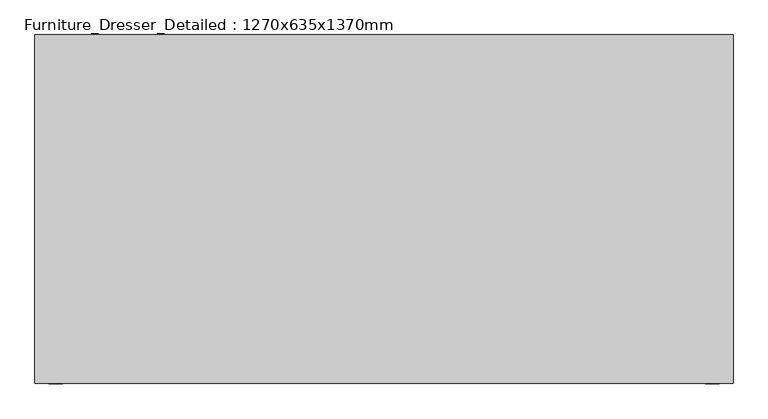
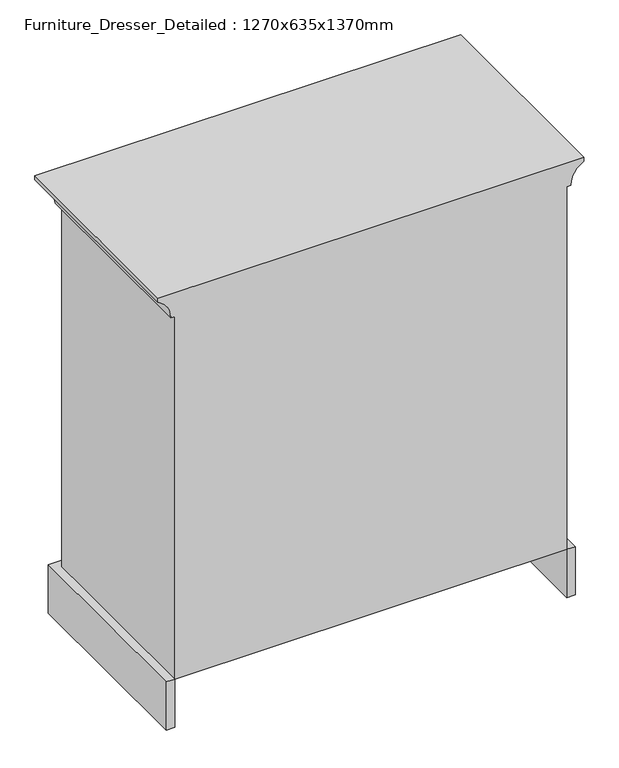
"""IFC4 building model written with IfcOpenShell, lengths in millimetres: furniture geometry, Furniture_Dresser_Detailed : 1270x635x1370mm."""

from ifc_helpers import new_model, si_unit, point, frame, frame_2d, origin, place, context, project, spatial, polyline, circle_curve, ellipse_curve, trimmed, segment, composite_curve, outline, extrude, source, transform, mapped, element, save
from ifc_brep_helpers import plane_surface, revolved_surface, advanced_brep


def furniture_dresser_detailed_1270x635x1370mm_7e9adf72(model_context):
    return source(origin(), model_context, "Body", "SolidModel", [
        advanced_brep(
        [(-635.0, 0.0, 1371.6), (-635.0, 0.0, 1358.9), (-596.9, 0.0, 1295.4), (-584.2, 0.0, 1295.4), (-584.2, 0.0, 152.4), (584.2, 0.0, 152.4), (584.2, 0.0, 1295.4), (596.9, 0.0, 1295.4), (635.0, 0.0, 1358.9), (635.0, 0.0, 1371.6), (635.0, 635.0, 1371.6), (-635.0, 635.0, 1371.6), (584.2, 584.2, 1295.4), (596.9, 596.9, 1295.4), (635.0, 635.0, 1358.9), (-584.2, 584.2, 1295.4), (-596.9, 596.9, 1295.4), (-635.0, 635.0, 1358.9), (584.2, 584.2, 152.4), (-584.2, 584.2, 152.4)],
        [
            (0, 1),
            (1, 2, circle_curve(frame((-669.4120286, 0.0, 1295.0727829), z_axis=(0.0, 1.0, 0.0), x_axis=(1.0, 0.0, 0.0)), 72.5127669)),
            (2, 3),
            (3, 4),
            (4, 5),
            (5, 6),
            (6, 7),
            (7, 8, circle_curve(frame((669.4120286, 0.0, 1295.0727829), z_axis=(0.0, 1.0, 0.0), x_axis=(-1.0, 0.0, 0.0)), 72.5127669)),
            (8, 9),
            (9, 0),
            (9, 10),
            (10, 11),
            (11, 0),
            (6, 12),
            (12, 13),
            (13, 7),
            (13, 14, ellipse_curve(frame((669.4120286, 669.4120286, 1295.0727829), z_axis=(-0.7071067811865475, 0.7071067811865475, 0.0), x_axis=(0.7071067811865474, 0.7071067811865476, 0.0)), 102.5485383, 72.5127669)),
            (14, 8),
            (14, 10),
            (12, 15),
            (15, 16),
            (16, 13),
            (16, 17, ellipse_curve(frame((-669.4120286, 669.4120286, 1295.0727829), z_axis=(-0.7071067811865475, -0.7071067811865475, 0.0), x_axis=(-0.7071067811865476, 0.7071067811865474, 0.0)), 102.5485383, 72.5127669)),
            (17, 14),
            (17, 11),
            (15, 3),
            (2, 16),
            (1, 17),
            (18, 5),
            (4, 19),
            (19, 18),
            (19, 15),
            (12, 18),
        ],
        [
            plane_surface(frame((506.9489159, 0.0, 1371.6), z_axis=(0.0, -1.0, 0.0), x_axis=(0.0, 0.0, 1.0))),
            plane_surface(frame((635.0, 0.0, 1371.6), z_axis=(0.0, 0.0, 1.0), x_axis=(0.0, 1.0, 0.0))),
            plane_surface(frame((584.2, 0.0, 1295.4), z_axis=(0.0, 0.0, -1.0), x_axis=(0.0, 1.0, 0.0))),
            revolved_surface(polyline([(596.8992617, 741.9247954326984, 1295.0727829), (596.8992617, 0.0, 1295.0727829)]), (669.4120286, 0.0, 1295.0727829), (0.0, 1.0, 0.0)),
            plane_surface(frame((635.0, 0.0, 1358.9), z_axis=(1.0, 0.0, 0.0), x_axis=(0.0, 1.0, 0.0))),
            plane_surface(frame((584.2, 584.2, 1295.4), z_axis=(0.0, 0.0, -1.0), x_axis=(-1.0, 0.0, 0.0))),
            revolved_surface(polyline([(-741.9247954326984, 596.8992617, 1295.0727829), (741.9247954326984, 596.8992617, 1295.0727829)]), (584.2, 669.4120286, 1295.0727829), (-1.0, 0.0, 0.0)),
            plane_surface(frame((635.0, 635.0, 1358.9), z_axis=(0.0, 1.0, 0.0), x_axis=(-1.0, 0.0, 0.0))),
            plane_surface(frame((-584.2, 584.2, 1295.4), z_axis=(0.0, 0.0, -1.0), x_axis=(0.0, -1.0, 0.0))),
            revolved_surface(polyline([(-596.8992617, 0.0, 1295.0727829), (-596.8992617, 741.9247954326984, 1295.0727829)]), (-669.4120286, 584.2, 1295.0727829), (0.0, -1.0, 0.0)),
            plane_surface(frame((-635.0, 635.0, 1358.9), z_axis=(-1.0, 0.0, 0.0), x_axis=(0.0, -1.0, 0.0))),
            plane_surface(frame((-584.2, 584.2, 152.4), z_axis=(0.0, 0.0, -1.0), x_axis=(1.0, 0.0, 0.0))),
            plane_surface(frame((584.2, 584.2, 1371.6), z_axis=(0.0, 1.0, 0.0), x_axis=(0.0, 0.0, -1.0))),
            plane_surface(frame((-584.2, 584.2, 1371.6), z_axis=(-1.0, 0.0, 0.0), x_axis=(0.0, 0.0, -1.0))),
            plane_surface(frame((584.2, 0.0, 1371.6), z_axis=(1.0, 0.0, 0.0), x_axis=(0.0, 0.0, -1.0))),
        ],
        [
            (0, [[1, 2, 3, 4, 5, 6, 7, 8, 9, 10]]),
            (1, [[-10, 11, 12, 13]]),
            (2, [[-7, 14, 15, 16]]),
            (3, [[-8, -16, 17, 18]]),
            (4, [[-9, -18, 19, -11]]),
            (5, [[-15, 20, 21, 22]]),
            (6, [[-17, -22, 23, 24]]),
            (7, [[-19, -24, 25, -12]]),
            (8, [[-21, 26, -3, 27]]),
            (9, [[-23, -27, -2, 28]]),
            (10, [[-25, -28, -1, -13]]),
            (11, [[29, -5, 30, 31]]),
            (12, [[-31, 32, -20, 33]]),
            (13, [[-30, -4, -26, -32]]),
            (14, [[-29, -33, -14, -6]]),
        ],
    ),
        advanced_brep(
        [(-533.4, 584.2, 0.0), (-36.909375, 584.2, 0.0), (36.909375, 584.2, 0.0), (533.4, 584.2, 0.0), (584.2, 584.2, 0.0), (584.2, 584.2, 152.4), (-584.2, 584.2, 152.4), (-584.2, 584.2, 0.0), (-609.6, 609.6, 152.4), (609.6, 609.6, 152.4), (609.6, 609.6, 0.0), (533.4, 609.6, 0.0), (36.909375, 609.6, 0.0), (-36.909375, 609.6, 0.0), (-533.4, 609.6, 0.0), (-609.6, 609.6, 0.0), (-609.6, 0.0, 0.0), (-609.6, 0.0, 152.4), (-584.2, 0.0, 0.0), (609.6, 0.0, 0.0), (584.2, 0.0, 0.0), (609.6, 0.0, 152.4), (-584.2, 0.0, 152.4), (584.2, 0.0, 152.4)],
        [
            (0, 1, circle_curve(frame((-285.1546875, 584.2, -322.8558681), z_axis=(0.0, 1.0, 0.0), x_axis=(1.0, 0.0, 0.0)), 407.261153)),
            (1, 2),
            (2, 3, circle_curve(frame((285.1546875, 584.2, -322.8558681), z_axis=(0.0, 1.0, 0.0), x_axis=(1.0, 0.0, 0.0)), 407.261153)),
            (3, 4),
            (4, 5),
            (5, 6),
            (6, 7),
            (7, 0),
            (8, 9),
            (9, 10),
            (10, 11),
            (11, 12, circle_curve(frame((285.1546875, 609.6, -322.8558681), z_axis=(0.0, -1.0, 0.0), x_axis=(1.0, 0.0, 0.0)), 407.261153)),
            (12, 13),
            (13, 14, circle_curve(frame((-285.1546875, 609.6, -322.8558681), z_axis=(0.0, -1.0, 0.0), x_axis=(1.0, 0.0, 0.0)), 407.261153)),
            (14, 15),
            (15, 8),
            (15, 16),
            (16, 17),
            (17, 8),
            (14, 0),
            (7, 18),
            (18, 16),
            (13, 1),
            (12, 2),
            (11, 3),
            (10, 19),
            (19, 20),
            (20, 4),
            (9, 21),
            (21, 19),
            (17, 22),
            (22, 6),
            (5, 23),
            (23, 21),
            (22, 18),
            (20, 23),
        ],
        [
            plane_surface(frame((-609.6, 584.2, 0.0), z_axis=(0.0, -1.0, 0.0), x_axis=(0.0, 0.0, -1.0))),
            plane_surface(frame((-609.6, 609.6, 0.0), z_axis=(0.0, 1.0, 0.0), x_axis=(0.0, 0.0, 1.0))),
            plane_surface(frame((-609.6, 584.2, 152.4), z_axis=(-1.0, 0.0, 0.0), x_axis=(0.0, 1.0, 0.0))),
            plane_surface(frame((-609.6, 584.2, 0.0), z_axis=(0.0, 0.0, -1.0), x_axis=(0.0, 1.0, 0.0))),
            revolved_surface(polyline([(122.10646549999996, 609.6, -322.8558681), (122.10646549999996, 584.2, -322.8558681)]), (-285.1546875, 609.6, -322.8558681), (0.0, 1.0, 0.0)),
            plane_surface(frame((-36.909375, 584.2, 0.0), z_axis=(0.0, 0.0, -1.0), x_axis=(0.0, 1.0, 0.0))),
            revolved_surface(polyline([(692.4158405000001, 609.6, -322.8558681), (692.4158405000001, 584.2, -322.8558681)]), (285.1546875, 609.6, -322.8558681), (0.0, 1.0, 0.0)),
            plane_surface(frame((533.4, 584.2, 0.0), z_axis=(0.0, 0.0, -1.0), x_axis=(0.0, 1.0, 0.0))),
            plane_surface(frame((609.6, 584.2, 0.0), z_axis=(1.0, 0.0, 0.0), x_axis=(0.0, 1.0, 0.0))),
            plane_surface(frame((609.6, 584.2, 152.4), z_axis=(0.0, 0.0, 1.0), x_axis=(0.0, 1.0, 0.0))),
            plane_surface(frame((-584.2, 584.2, 152.4), z_axis=(1.0, 0.0, 0.0), x_axis=(0.0, -1.0, 0.0))),
            plane_surface(frame((-609.6, 0.0, 0.0), z_axis=(0.0, -1.0, 0.0), x_axis=(1.0, 0.0, 0.0))),
            plane_surface(frame((584.2, 584.2, 152.4), z_axis=(-1.0, 0.0, 0.0), x_axis=(0.0, 1.0, 0.0))),
            plane_surface(frame((584.2, 0.0, 0.0), z_axis=(0.0, -1.0, 0.0), x_axis=(1.0, 0.0, 0.0))),
        ],
        [
            (0, [[1, 2, 3, 4, 5, 6, 7, 8]]),
            (1, [[9, 10, 11, 12, 13, 14, 15, 16]]),
            (2, [[-16, 17, 18, 19]]),
            (3, [[-15, 20, -8, 21, 22, -17]]),
            (4, [[-1, -20, -14, 23]]),
            (5, [[-2, -23, -13, 24]]),
            (6, [[-3, -24, -12, 25]]),
            (7, [[-11, 26, 27, 28, -4, -25]]),
            (8, [[-26, -10, 29, 30]]),
            (9, [[-29, -9, -19, 31, 32, -6, 33, 34]]),
            (10, [[35, -21, -7, -32]]),
            (11, [[-18, -22, -35, -31]]),
            (12, [[-33, -5, -28, 36]]),
            (13, [[-36, -27, -30, -34]]),
        ],
    ),
        extrude(outline(composite_curve([segment(trimmed(circle_curve(frame_2d((1155.7, 0.0)), 31.75), [point((1155.7, 31.75))], [point((1155.7, -31.75))], True, "CARTESIAN"), True, "CONTINUOUS"), segment(polyline([(1155.7, -31.75), (1155.7, -50.8), (1149.35, -50.8), (1149.35, -38.1)]), True, "CONTINUOUS"), segment(trimmed(circle_curve(frame_2d((1149.35, 0.0)), 38.1), [point((1149.35, -38.1))], [point((1149.35, 38.1))], False, "CARTESIAN"), True, "CONTINUOUS"), segment(polyline([(1149.35, 38.1), (1149.35, 50.8), (1155.7, 50.8), (1155.7, 31.75)]), True, "CONTINUOUS")], self_intersect=False)), frame((0.0, 609.6, 0.0), z_axis=(0.0, 1.0, 0.0), x_axis=(0.0, 0.0, 1.0)), (0.0, 0.0, 1.0), 6.35),
        extrude(outline(composite_curve([segment(trimmed(circle_curve(frame_2d((876.3, 0.0)), 31.75), [point((876.3, 31.75))], [point((876.3, -31.75))], True, "CARTESIAN"), True, "CONTINUOUS"), segment(polyline([(876.3, -31.75), (876.3, -50.8), (869.95, -50.8), (869.95, -38.1)]), True, "CONTINUOUS"), segment(trimmed(circle_curve(frame_2d((869.95, 0.0)), 38.1), [point((869.95, -38.1))], [point((869.95, 38.1))], False, "CARTESIAN"), True, "CONTINUOUS"), segment(polyline([(869.95, 38.1), (869.95, 50.8), (876.3, 50.8), (876.3, 31.75)]), True, "CONTINUOUS")], self_intersect=False)), frame((0.0, 609.6, 0.0), z_axis=(0.0, 1.0, 0.0), x_axis=(0.0, 0.0, 1.0)), (0.0, 0.0, 1.0), 6.35),
        extrude(outline(composite_curve([segment(trimmed(circle_curve(frame_2d((596.9, 0.9029694)), 30.8470306), [point((596.9, 31.75))], [point((596.9, -29.9440613))], True, "CARTESIAN"), True, "CONTINUOUS"), segment(polyline([(596.9, -29.9440613), (596.9, -48.9940613), (590.55, -48.9940613), (590.55, -36.2940613)]), True, "CONTINUOUS"), segment(trimmed(circle_curve(frame_2d((590.55, 0.9029694)), 37.1970306), [point((590.55, -36.2940613))], [point((590.55, 38.1))], False, "CARTESIAN"), True, "CONTINUOUS"), segment(polyline([(590.55, 38.1), (590.55, 50.8), (596.9, 50.8), (596.9, 31.75)]), True, "CONTINUOUS")], self_intersect=False)), frame((0.0, 609.6, 0.0), z_axis=(0.0, 1.0, 0.0), x_axis=(0.0, 0.0, 1.0)), (0.0, 0.0, 1.0), 6.35),
        extrude(outline(composite_curve([segment(trimmed(circle_curve(frame_2d((317.5, 0.0)), 38.1), [point((317.5, -38.1))], [point((317.5, 38.1))], False, "CARTESIAN"), True, "CONTINUOUS"), segment(polyline([(317.5, 38.1), (317.5, 50.8), (323.85, 50.8), (323.85, 31.75)]), True, "CONTINUOUS"), segment(trimmed(circle_curve(frame_2d((323.85, 0.0)), 31.75), [point((323.85, 31.75))], [point((323.85, -31.75))], True, "CARTESIAN"), True, "CONTINUOUS"), segment(polyline([(323.85, -31.75), (323.85, -50.8), (317.5, -50.8), (317.5, -38.1)]), True, "CONTINUOUS")], self_intersect=False)), frame((0.0, 609.6, 0.0), z_axis=(0.0, 1.0, 0.0), x_axis=(0.0, 0.0, 1.0)), (0.0, 0.0, 1.0), 6.35),
        extrude(outline(polyline([(558.8, 584.2), (-558.8, 584.2), (-558.8, 609.6), (558.8, 609.6), (558.8, 584.2)])), frame((0.0, 0.0, 203.2), z_axis=(0.0, 0.0, 1.0), x_axis=(1.0, 0.0, 0.0)), (0.0, 0.0, 1.0), 228.6),
        extrude(outline(polyline([(558.8, 584.2), (-558.8, 584.2), (-558.8, 609.6), (558.8, 609.6), (558.8, 584.2)])), frame((0.0, 0.0, 482.6), z_axis=(0.0, 0.0, 1.0), x_axis=(1.0, 0.0, 0.0)), (0.0, 0.0, 1.0), 228.6),
        extrude(outline(polyline([(558.8, 584.2), (-558.8, 584.2), (-558.8, 609.6), (558.8, 609.6), (558.8, 584.2)])), frame((0.0, 0.0, 762.0), z_axis=(0.0, 0.0, 1.0), x_axis=(1.0, 0.0, 0.0)), (0.0, 0.0, 1.0), 228.6),
        extrude(outline(polyline([(558.8, 584.2), (-558.8, 584.2), (-558.8, 609.6), (558.8, 609.6), (558.8, 584.2)])), frame((0.0, 0.0, 1041.4), z_axis=(0.0, 0.0, 1.0), x_axis=(1.0, 0.0, 0.0)), (0.0, 0.0, 1.0), 228.6),
    ])


if __name__ == "__main__":
    model = new_model("IFC4")
    model_context = context("Model", 3, world=origin())
    ifc_project = project(units=[si_unit("LENGTHUNIT", "METRE", prefix="MILLI")], contexts=[model_context])
    site = spatial("IfcSite", under=ifc_project)
    building = spatial("IfcBuilding", under=site)
    placement = place(None, origin())
    furniture_dresser_detailed_1270x635x1370mm_shape = furniture_dresser_detailed_1270x635x1370mm_7e9adf72(model_context)
    element("IfcFurniture", 1, ObjectType="Furniture_Dresser_Detailed : 1270x635x1370mm", at=placement, inside=building, context=model_context, shape_type="MappedRepresentation", body=[
        mapped(furniture_dresser_detailed_1270x635x1370mm_shape, transform((0.0, 0.0, 0.0), x_axis=(1.0, 0.0, 0.0), y_axis=(0.0, 1.0, 0.0), z_axis=(0.0, 0.0, 1.0))),
    ])
    save(model, "model.ifc")
